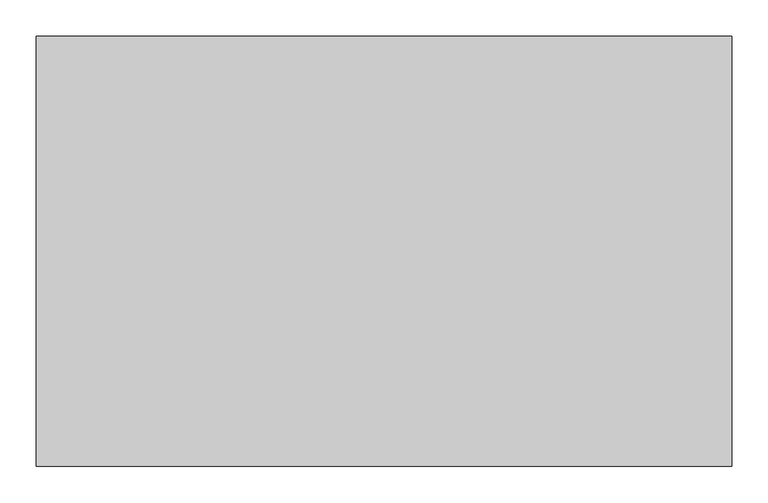
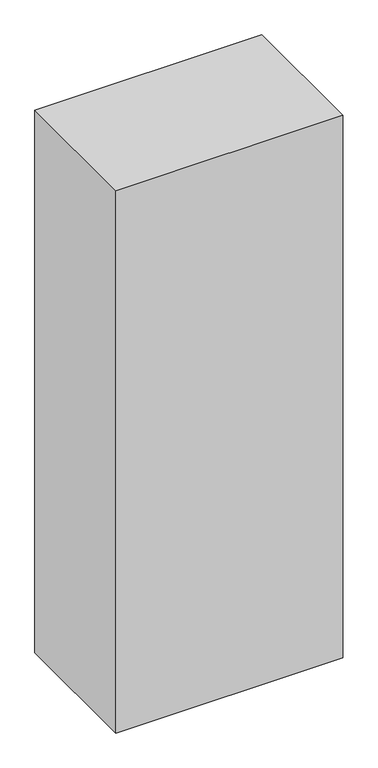
"""IFC4 building model written with IfcOpenShell, lengths in millimetres: proxy geometry."""

from ifc_helpers import new_model, si_unit, origin, origin_with_axes, place, context, project, spatial, polyline, outline, extrude, source, transform, mapped, element, save


def generic_models_b303f778(model_context):
    return source(origin(), model_context, "Body", "SweptSolid", [
        extrude(outline(polyline([(457.2, -92.471875), (457.2, -151.209375), (-457.2, -151.209375), (-457.2, -92.471875), (457.2, -92.471875)])), origin_with_axes(), (0.0, 0.0, 1.0), 2368.55),
        extrude(outline(polyline([(457.2, 29.36875), (457.2, -29.36875), (-457.2, -29.36875), (-457.2, 29.36875), (457.2, 29.36875)])), origin_with_axes(), (0.0, 0.0, 1.0), 2368.55),
        extrude(outline(polyline([(457.2, 151.209375), (457.2, 92.471875), (-457.2, 92.471875), (-457.2, 151.209375), (457.2, 151.209375)])), origin_with_axes(), (0.0, 0.0, 1.0), 2368.55),
        extrude(outline(polyline([(457.2, -214.3125), (457.2, -273.05), (-457.2, -273.05), (-457.2, -214.3125), (457.2, -214.3125)])), origin_with_axes(), (0.0, 0.0, 1.0), 2368.55),
        extrude(outline(polyline([(457.2, 273.05), (457.2, 214.3125), (-457.2, 214.3125), (-457.2, 273.05), (457.2, 273.05)])), origin_with_axes(), (0.0, 0.0, 1.0), 2368.55),
        extrude(outline(polyline([(482.6, 298.45), (482.6, -298.45), (-482.6, -298.45), (-482.6, 298.45), (482.6, 298.45)])), origin_with_axes(), (0.0, 0.0, 1.0), 2438.4),
    ])


if __name__ == "__main__":
    model = new_model("IFC4")
    model_context = context("Model", 3, world=origin())
    ifc_project = project(units=[si_unit("LENGTHUNIT", "METRE", prefix="MILLI")], contexts=[model_context])
    site = spatial("IfcSite", under=ifc_project)
    building = spatial("IfcBuilding", under=site)
    placement = place(None, origin())
    generic_models_shape = generic_models_b303f778(model_context)
    element("IfcBuildingElementProxy", 1, Name="Generic Models", at=placement, inside=building, context=model_context, shape_type="MappedRepresentation", body=[
        mapped(generic_models_shape, transform((0.0, 0.0, 0.0), x_axis=(1.0, 0.0, 0.0), y_axis=(0.0, 1.0, 0.0), z_axis=(0.0, 0.0, 1.0))),
    ])
    save(model, "model.ifc")
